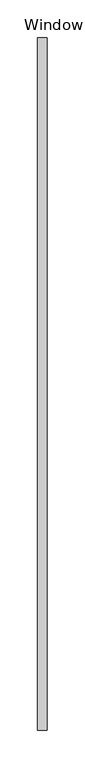
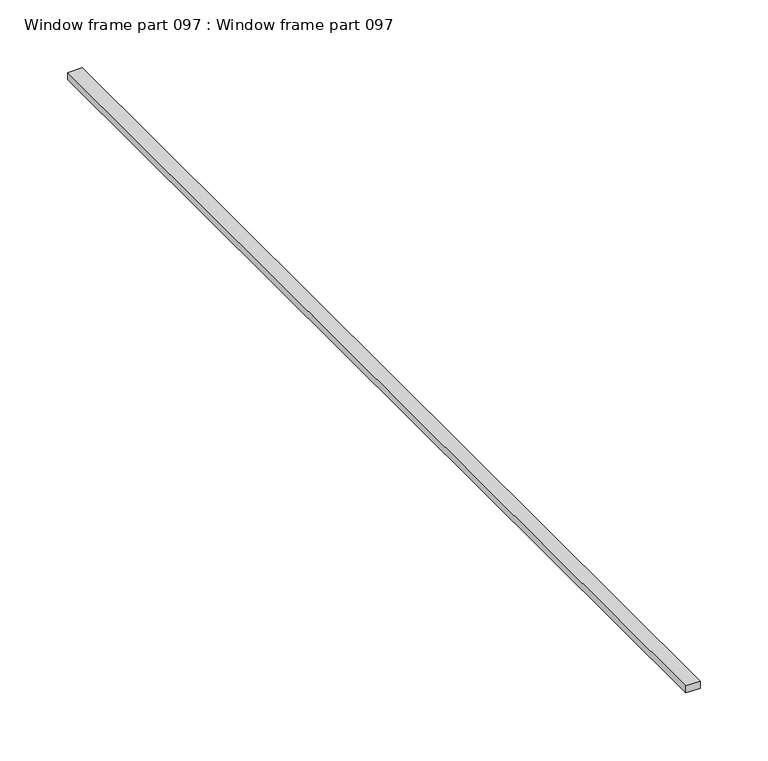
"""IFC4 building model written with IfcOpenShell, lengths in millimetres: proxy geometry, Window frame part 097 : Window frame part 097."""

from ifc_helpers import new_model, si_unit, frame, origin, place, context, project, spatial, polyline, outline, extrude, source, transform, mapped, element, save


def window_frame_part_097_window_frame_part_097_9e91e116(model_context):
    return source(origin(), model_context, "Body", "SweptSolid", [
        extrude(outline(polyline([(37605.6902244, -19576.8264268), (37592.9902244, -19576.8264268), (37592.9902244, -18662.4264268), (37605.6902244, -18662.4264268), (37605.6902244, -19576.8264268)])), frame((0.0, 0.0, 2905.125), z_axis=(0.0, 0.0, 1.0), x_axis=(1.0, 0.0, 0.0)), (0.0, 0.0, 1.0), 6.35),
    ])


if __name__ == "__main__":
    model = new_model("IFC4")
    model_context = context("Model", 3, world=origin())
    ifc_project = project(units=[si_unit("LENGTHUNIT", "METRE", prefix="MILLI")], contexts=[model_context])
    site = spatial("IfcSite", under=ifc_project)
    building = spatial("IfcBuilding", under=site)
    placement = place(None, origin())
    window_frame_part_097_window_frame_part_097_shape = window_frame_part_097_window_frame_part_097_9e91e116(model_context)
    element("IfcBuildingElementProxy", 1, Name="Window frame part 097 : Window frame part 097", ObjectType="Window frame part 097 : Window frame part 097", at=placement, inside=building, context=model_context, shape_type="MappedRepresentation", body=[
        mapped(window_frame_part_097_window_frame_part_097_shape, transform((0.0, 0.0, 0.0), x_axis=(1.0, 0.0, 0.0), y_axis=(0.0, 1.0, 0.0), z_axis=(0.0, 0.0, 1.0))),
    ])
    save(model, "model.ifc")
